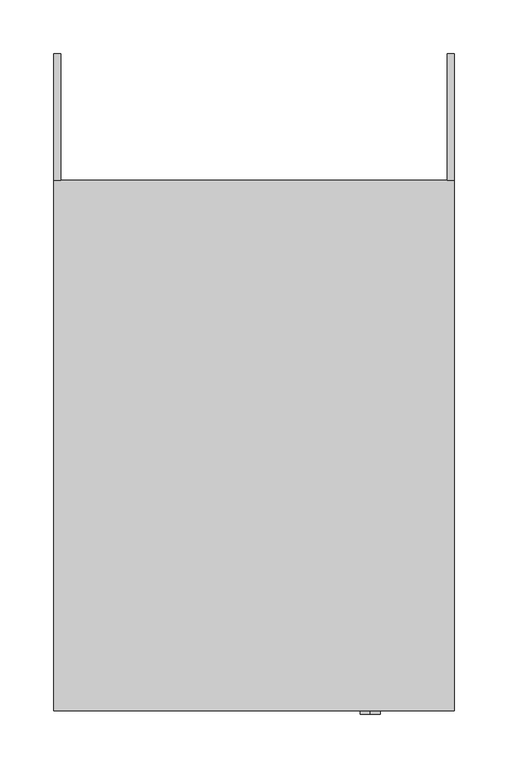
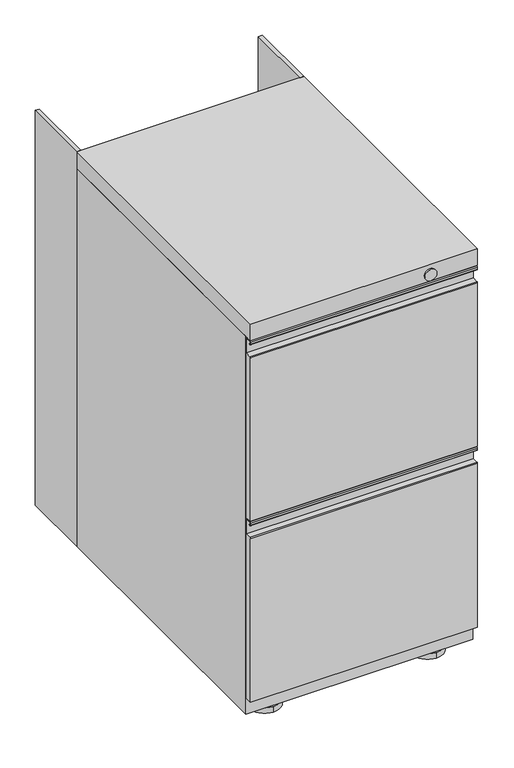
"""IFC4 building model written with IfcOpenShell, lengths in millimetres: furniture geometry."""

from ifc_helpers import new_model, si_unit, point, frame, frame_2d, origin, place, context, project, spatial, polyline, circle_curve, trimmed, segment, composite_curve, outline, extrude, source, transform, mapped, element, save
from ifc_brep_helpers import plane_surface, cylinder_surface, advanced_brep


def furniture_590a8ba9(model_context):
    return source(origin(), model_context, "Body", "SolidModel", [
        advanced_brep(
        [(133.35, 217.4874864, 22.2249992), (133.35, 192.0874924, 22.2249992), (133.35, 204.7874894, 22.2249992), (133.35, 217.4874864, 9.525), (133.35, 192.0874924, 9.525), (133.35, 230.1874879, 9.525), (133.35, 179.3874909, 9.525), (133.35, 230.1874879, 0.0), (133.35, 179.3874909, 0.0), (133.35, 204.7874894, 0.0)],
        [
            (0, 1, circle_curve(frame((133.35, 204.7874894, 22.2249992), z_axis=(0.0, 0.0, 1.0), x_axis=(0.0, -1.0, 0.0)), 12.699997)),
            (1, 2),
            (2, 0),
            (1, 0, circle_curve(frame((133.35, 204.7874894, 22.2249992), z_axis=(0.0, 0.0, 1.0), x_axis=(0.0, -1.0, 0.0)), 12.699997)),
            (3, 4, circle_curve(frame((133.35, 204.7874894, 9.525), z_axis=(0.0, 0.0, 1.0), x_axis=(0.0, -1.0, 0.0)), 12.699997)),
            (4, 1),
            (0, 3),
            (4, 3, circle_curve(frame((133.35, 204.7874894, 9.525), z_axis=(0.0, 0.0, 1.0), x_axis=(0.0, -1.0, 0.0)), 12.699997)),
            (5, 6, circle_curve(frame((133.35, 204.7874894, 9.525), z_axis=(0.0, 0.0, 1.0), x_axis=(0.0, -1.0, 0.0)), 25.3999985)),
            (6, 4),
            (3, 5),
            (6, 5, circle_curve(frame((133.35, 204.7874894, 9.525), z_axis=(0.0, 0.0, 1.0), x_axis=(0.0, -1.0, 0.0)), 25.3999985)),
            (7, 8, circle_curve(frame((133.35, 204.7874894, 0.0), z_axis=(0.0, 0.0, 1.0), x_axis=(0.0, -1.0, 0.0)), 25.3999985)),
            (8, 6),
            (5, 7),
            (8, 7, circle_curve(frame((133.35, 204.7874894, 0.0), z_axis=(0.0, 0.0, 1.0), x_axis=(0.0, -1.0, 0.0)), 25.3999985)),
            (9, 8),
            (7, 9),
        ],
        [
            plane_surface(frame((133.35, 204.7874894, 22.2249992), z_axis=(0.0, 0.0, 1.0), x_axis=(0.0, -1.0, 0.0))),
            cylinder_surface(frame((133.35, 204.7874894, 0.0), z_axis=(0.0, 0.0, -1.0), x_axis=(0.0, -1.0, 0.0)), 12.699997),
            plane_surface(frame((133.35, 204.7874894, 9.525), z_axis=(0.0, 0.0, 1.0), x_axis=(0.0, -1.0, 0.0))),
            cylinder_surface(frame((133.35, 204.7874894, 0.0), z_axis=(0.0, 0.0, -1.0), x_axis=(0.0, -1.0, 0.0)), 25.3999985),
            plane_surface(frame((133.35, 204.7874894, 0.0), z_axis=(0.0, 0.0, -1.0), x_axis=(0.0, -1.0, 0.0))),
        ],
        [
            (0, [[1, 2, 3]]),
            (0, [[4, -3, -2]]),
            (1, [[5, 6, -1, 7]]),
            (1, [[8, -7, -4, -6]]),
            (2, [[9, 10, -5, 11]]),
            (2, [[12, -11, -8, -10]]),
            (3, [[13, 14, -9, 15]]),
            (3, [[16, -15, -12, -14]]),
            (4, [[17, -13, 18]]),
            (4, [[-18, -16, -17]]),
        ],
    ),
        advanced_brep(
        [(133.35, -182.5625136, 22.2249992), (133.35, -207.9625076, 22.2249992), (133.35, -195.2625106, 22.2249992), (133.35, -182.5625136, 9.525), (133.35, -207.9625076, 9.525), (133.35, -169.8625121, 9.525), (133.35, -220.6625091, 9.525), (133.35, -169.8625121, 0.0), (133.35, -220.6625091, 0.0), (133.35, -195.2625106, 0.0)],
        [
            (0, 1, circle_curve(frame((133.35, -195.2625106, 22.2249992), z_axis=(0.0, 0.0, 1.0), x_axis=(0.0, -1.0, 0.0)), 12.699997)),
            (1, 2),
            (2, 0),
            (1, 0, circle_curve(frame((133.35, -195.2625106, 22.2249992), z_axis=(0.0, 0.0, 1.0), x_axis=(0.0, -1.0, 0.0)), 12.699997)),
            (3, 4, circle_curve(frame((133.35, -195.2625106, 9.525), z_axis=(0.0, 0.0, 1.0), x_axis=(0.0, -1.0, 0.0)), 12.699997)),
            (4, 1),
            (0, 3),
            (4, 3, circle_curve(frame((133.35, -195.2625106, 9.525), z_axis=(0.0, 0.0, 1.0), x_axis=(0.0, -1.0, 0.0)), 12.699997)),
            (5, 6, circle_curve(frame((133.35, -195.2625106, 9.525), z_axis=(0.0, 0.0, 1.0), x_axis=(0.0, -1.0, 0.0)), 25.3999985)),
            (6, 4),
            (3, 5),
            (6, 5, circle_curve(frame((133.35, -195.2625106, 9.525), z_axis=(0.0, 0.0, 1.0), x_axis=(0.0, -1.0, 0.0)), 25.3999985)),
            (7, 8, circle_curve(frame((133.35, -195.2625106, 0.0), z_axis=(0.0, 0.0, 1.0), x_axis=(0.0, -1.0, 0.0)), 25.3999985)),
            (8, 6),
            (5, 7),
            (8, 7, circle_curve(frame((133.35, -195.2625106, 0.0), z_axis=(0.0, 0.0, 1.0), x_axis=(0.0, -1.0, 0.0)), 25.3999985)),
            (9, 8),
            (7, 9),
        ],
        [
            plane_surface(frame((133.35, -195.2625106, 22.2249992), z_axis=(0.0, 0.0, 1.0), x_axis=(0.0, -1.0, 0.0))),
            cylinder_surface(frame((133.35, -195.2625106, 0.0), z_axis=(0.0, 0.0, -1.0), x_axis=(0.0, -1.0, 0.0)), 12.699997),
            plane_surface(frame((133.35, -195.2625106, 9.525), z_axis=(0.0, 0.0, 1.0), x_axis=(0.0, -1.0, 0.0))),
            cylinder_surface(frame((133.35, -195.2625106, 0.0), z_axis=(0.0, 0.0, -1.0), x_axis=(0.0, -1.0, 0.0)), 25.3999985),
            plane_surface(frame((133.35, -195.2625106, 0.0), z_axis=(0.0, 0.0, -1.0), x_axis=(0.0, -1.0, 0.0))),
        ],
        [
            (0, [[1, 2, 3]]),
            (0, [[4, -3, -2]]),
            (1, [[5, 6, -1, 7]]),
            (1, [[8, -7, -4, -6]]),
            (2, [[9, 10, -5, 11]]),
            (2, [[12, -11, -8, -10]]),
            (3, [[13, 14, -9, 15]]),
            (3, [[16, -15, -12, -14]]),
            (4, [[17, -13, 18]]),
            (4, [[-18, -16, -17]]),
        ],
    ),
        advanced_brep(
        [(-133.35, -182.5625136, 22.2249992), (-133.35, -207.9625076, 22.2249992), (-133.35, -195.2625106, 22.2249992), (-133.35, -182.5625136, 9.525), (-133.35, -207.9625076, 9.525), (-133.35, -169.8625121, 9.525), (-133.35, -220.6625091, 9.525), (-133.35, -169.8625121, 0.0), (-133.35, -220.6625091, 0.0), (-133.35, -195.2625106, 0.0)],
        [
            (0, 1, circle_curve(frame((-133.35, -195.2625106, 22.2249992), z_axis=(0.0, 0.0, 1.0), x_axis=(0.0, -1.0, 0.0)), 12.699997)),
            (1, 2),
            (2, 0),
            (1, 0, circle_curve(frame((-133.35, -195.2625106, 22.2249992), z_axis=(0.0, 0.0, 1.0), x_axis=(0.0, -1.0, 0.0)), 12.699997)),
            (3, 4, circle_curve(frame((-133.35, -195.2625106, 9.525), z_axis=(0.0, 0.0, 1.0), x_axis=(0.0, -1.0, 0.0)), 12.699997)),
            (4, 1),
            (0, 3),
            (4, 3, circle_curve(frame((-133.35, -195.2625106, 9.525), z_axis=(0.0, 0.0, 1.0), x_axis=(0.0, -1.0, 0.0)), 12.699997)),
            (5, 6, circle_curve(frame((-133.35, -195.2625106, 9.525), z_axis=(0.0, 0.0, 1.0), x_axis=(0.0, -1.0, 0.0)), 25.3999985)),
            (6, 4),
            (3, 5),
            (6, 5, circle_curve(frame((-133.35, -195.2625106, 9.525), z_axis=(0.0, 0.0, 1.0), x_axis=(0.0, -1.0, 0.0)), 25.3999985)),
            (7, 8, circle_curve(frame((-133.35, -195.2625106, 0.0), z_axis=(0.0, 0.0, 1.0), x_axis=(0.0, -1.0, 0.0)), 25.3999985)),
            (8, 6),
            (5, 7),
            (8, 7, circle_curve(frame((-133.35, -195.2625106, 0.0), z_axis=(0.0, 0.0, 1.0), x_axis=(0.0, -1.0, 0.0)), 25.3999985)),
            (9, 8),
            (7, 9),
        ],
        [
            plane_surface(frame((-133.35, -195.2625106, 22.2249992), z_axis=(0.0, 0.0, 1.0), x_axis=(0.0, -1.0, 0.0))),
            cylinder_surface(frame((-133.35, -195.2625106, 0.0), z_axis=(0.0, 0.0, -1.0), x_axis=(0.0, -1.0, 0.0)), 12.699997),
            plane_surface(frame((-133.35, -195.2625106, 9.525), z_axis=(0.0, 0.0, 1.0), x_axis=(0.0, -1.0, 0.0))),
            cylinder_surface(frame((-133.35, -195.2625106, 0.0), z_axis=(0.0, 0.0, -1.0), x_axis=(0.0, -1.0, 0.0)), 25.3999985),
            plane_surface(frame((-133.35, -195.2625106, 0.0), z_axis=(0.0, 0.0, -1.0), x_axis=(0.0, -1.0, 0.0))),
        ],
        [
            (0, [[1, 2, 3]]),
            (0, [[4, -3, -2]]),
            (1, [[5, 6, -1, 7]]),
            (1, [[8, -7, -4, -6]]),
            (2, [[9, 10, -5, 11]]),
            (2, [[12, -11, -8, -10]]),
            (3, [[13, 14, -9, 15]]),
            (3, [[16, -15, -12, -14]]),
            (4, [[17, -13, 18]]),
            (4, [[-18, -16, -17]]),
        ],
    ),
        advanced_brep(
        [(-133.35, 217.4874864, 22.2249992), (-133.35, 192.0874924, 22.2249992), (-133.35, 204.7874894, 22.2249992), (-133.35, 217.4874864, 9.525), (-133.35, 192.0874924, 9.525), (-133.35, 230.1874879, 9.525), (-133.35, 179.3874909, 9.525), (-133.35, 230.1874879, 0.0), (-133.35, 179.3874909, 0.0), (-133.35, 204.7874894, 0.0)],
        [
            (0, 1, circle_curve(frame((-133.35, 204.7874894, 22.2249992), z_axis=(0.0, 0.0, 1.0), x_axis=(0.0, -1.0, 0.0)), 12.699997)),
            (1, 2),
            (2, 0),
            (1, 0, circle_curve(frame((-133.35, 204.7874894, 22.2249992), z_axis=(0.0, 0.0, 1.0), x_axis=(0.0, -1.0, 0.0)), 12.699997)),
            (3, 4, circle_curve(frame((-133.35, 204.7874894, 9.525), z_axis=(0.0, 0.0, 1.0), x_axis=(0.0, -1.0, 0.0)), 12.699997)),
            (4, 1),
            (0, 3),
            (4, 3, circle_curve(frame((-133.35, 204.7874894, 9.525), z_axis=(0.0, 0.0, 1.0), x_axis=(0.0, -1.0, 0.0)), 12.699997)),
            (5, 6, circle_curve(frame((-133.35, 204.7874894, 9.525), z_axis=(0.0, 0.0, 1.0), x_axis=(0.0, -1.0, 0.0)), 25.3999985)),
            (6, 4),
            (3, 5),
            (6, 5, circle_curve(frame((-133.35, 204.7874894, 9.525), z_axis=(0.0, 0.0, 1.0), x_axis=(0.0, -1.0, 0.0)), 25.3999985)),
            (7, 8, circle_curve(frame((-133.35, 204.7874894, 0.0), z_axis=(0.0, 0.0, 1.0), x_axis=(0.0, -1.0, 0.0)), 25.3999985)),
            (8, 6),
            (5, 7),
            (8, 7, circle_curve(frame((-133.35, 204.7874894, 0.0), z_axis=(0.0, 0.0, 1.0), x_axis=(0.0, -1.0, 0.0)), 25.3999985)),
            (9, 8),
            (7, 9),
        ],
        [
            plane_surface(frame((-133.35, 204.7874894, 22.2249992), z_axis=(0.0, 0.0, 1.0), x_axis=(0.0, -1.0, 0.0))),
            cylinder_surface(frame((-133.35, 204.7874894, 0.0), z_axis=(0.0, 0.0, -1.0), x_axis=(0.0, -1.0, 0.0)), 12.699997),
            plane_surface(frame((-133.35, 204.7874894, 9.525), z_axis=(0.0, 0.0, 1.0), x_axis=(0.0, -1.0, 0.0))),
            cylinder_surface(frame((-133.35, 204.7874894, 0.0), z_axis=(0.0, 0.0, -1.0), x_axis=(0.0, -1.0, 0.0)), 25.3999985),
            plane_surface(frame((-133.35, 204.7874894, 0.0), z_axis=(0.0, 0.0, -1.0), x_axis=(0.0, -1.0, 0.0))),
        ],
        [
            (0, [[1, 2, 3]]),
            (0, [[4, -3, -2]]),
            (1, [[5, 6, -1, 7]]),
            (1, [[8, -7, -4, -6]]),
            (2, [[9, 10, -5, 11]]),
            (2, [[12, -11, -8, -10]]),
            (3, [[13, 14, -9, 15]]),
            (3, [[16, -15, -12, -14]]),
            (4, [[17, -13, 18]]),
            (4, [[-18, -16, -17]]),
        ],
    ),
        extrude(outline(polyline([(-179.3875, 363.5375), (-179.3875, 246.0625), (-185.7375, 246.0625), (-185.7375, 363.5375), (-179.3875, 363.5375)])), frame((0.0, 0.0, 22.225), z_axis=(0.0, 0.0, 1.0), x_axis=(1.0, 0.0, 0.0)), (0.0, 0.0, 1.0), 682.625),
        extrude(outline(polyline([(179.3875, 246.0625), (179.3875, 363.5375), (185.7375, 363.5375), (185.7375, 246.0625), (179.3875, 246.0625)])), frame((0.0, 0.0, 22.225), z_axis=(0.0, 0.0, 1.0), x_axis=(1.0, 0.0, 0.0)), (0.0, 0.0, 1.0), 682.625),
        advanced_brep(
        [(185.7375, -233.3633734, 673.1359482), (185.7375, -234.9149365, 674.6875114), (185.7375, -244.2959206, 674.6875114), (185.7375, -245.8467713, 673.1366607), (185.7375, -245.8467713, 669.5309189), (185.7375, -243.4676129, 669.6664968), (185.7375, -245.0852623, 669.5744021), (185.7375, -245.0854655, 673.1376674), (185.7375, -244.2980863, 673.9251193), (185.7375, -234.912758, 673.9251193), (185.7375, -234.1245087, 673.1349058), (185.7375, -234.1245087, 647.8071774), (185.7375, -244.8905918, 647.8071774), (185.7375, -246.0625, 646.6802476), (185.7375, -246.0625, 363.5374992), (185.7375, -233.3624758, 363.5374992), (-185.7375, -233.3624758, 673.1361542), (-185.7375, -233.3624758, 363.5374992), (-185.7375, -246.0625, 363.5374992), (-185.7375, -246.0625, 646.6802476), (-185.7375, -244.8905918, 647.8071774), (-185.7375, -234.1245087, 647.8071774), (-185.7375, -234.1245087, 673.1349058), (-185.7375, -234.912758, 673.9251193), (-185.7375, -244.2980863, 673.9251193), (-185.7375, -245.0854655, 673.1376674), (-185.7375, -245.0852623, 669.5744021), (-185.7375, -243.4676129, 669.6664968), (-185.7375, -245.8467713, 669.5309189), (-185.7375, -245.8467713, 673.1366607), (-185.7375, -244.2959206, 674.6875114), (-185.7375, -234.9149365, 674.6875114)],
        [
            (0, 1, circle_curve(frame((185.7375, -234.9149365, 673.1359482), z_axis=(1.0, 0.0, 0.0), x_axis=(0.0, 1.0, 0.0)), 1.5515631)),
            (1, 2),
            (2, 3, circle_curve(frame((185.7375, -244.2959206, 673.1366607), z_axis=(1.0, 0.0, 0.0), x_axis=(0.0, 1.0, 0.0)), 1.5508507)),
            (3, 4),
            (4, 5, circle_curve(frame((185.7375, -244.6533291, 669.5309189), z_axis=(1.0, 0.0, 0.0), x_axis=(0.0, 1.0, 0.0)), 1.1934422)),
            (5, 6),
            (6, 7),
            (7, 8),
            (8, 9),
            (9, 10),
            (10, 11),
            (11, 12),
            (12, 13, circle_curve(frame((185.7375, -244.8905918, 646.6343716), z_axis=(1.0, 0.0, 0.0), x_axis=(0.0, 1.0, 0.0)), 1.1728058)),
            (13, 14),
            (14, 15),
            (15, 0),
            (16, 17),
            (17, 18),
            (18, 19),
            (19, 20, circle_curve(frame((-185.7375, -244.8905918, 646.6343716), z_axis=(-1.0, 0.0, 0.0), x_axis=(0.0, 1.0, 0.0)), 1.1728058)),
            (20, 21),
            (21, 22),
            (22, 23),
            (23, 24),
            (24, 25),
            (25, 26),
            (26, 27),
            (27, 28, circle_curve(frame((-185.7375, -244.6533291, 669.5309189), z_axis=(-1.0, 0.0, 0.0), x_axis=(0.0, 1.0, 0.0)), 1.1934422)),
            (28, 29),
            (29, 30, circle_curve(frame((-185.7375, -244.2959206, 673.1366607), z_axis=(-1.0, 0.0, 0.0), x_axis=(0.0, 1.0, 0.0)), 1.5508507)),
            (30, 31),
            (31, 16, circle_curve(frame((-185.7375, -234.9149365, 673.1359482), z_axis=(-1.0, 0.0, 0.0), x_axis=(0.0, 1.0, 0.0)), 1.5515631)),
            (0, 16),
            (31, 1),
            (30, 2),
            (29, 3),
            (28, 4),
            (27, 5),
            (26, 6),
            (25, 7),
            (24, 8),
            (23, 9),
            (22, 10),
            (21, 11),
            (20, 12),
            (19, 13),
            (18, 14),
            (17, 15),
        ],
        [
            plane_surface(frame((185.7375, -233.3633734, 673.1359482), z_axis=(1.0, 0.0, 0.0), x_axis=(0.0, 0.0, 1.0))),
            plane_surface(frame((-185.7375, -233.3633734, 673.1359482), z_axis=(-1.0, 0.0, 0.0), x_axis=(0.0, 0.0, -1.0))),
            cylinder_surface(frame((-185.7375, -234.9149365, 673.1359482), z_axis=(1.0, 0.0, 0.0), x_axis=(0.0, 1.0, 0.0)), 1.5515631),
            plane_surface(frame((185.7375, -234.9149365, 674.6875114), z_axis=(0.0, 0.0, 1.0), x_axis=(-1.0, 0.0, 0.0))),
            cylinder_surface(frame((-185.7375, -244.2959206, 673.1366607), z_axis=(1.0, 0.0, 0.0), x_axis=(0.0, 1.0, 0.0)), 1.5508507),
            plane_surface(frame((185.7375, -245.8467713, 673.1366607), z_axis=(0.0, -1.0, 0.0), x_axis=(-1.0, 0.0, 0.0))),
            cylinder_surface(frame((-185.7375, -244.6533291, 669.5309189), z_axis=(1.0, 0.0, 0.0), x_axis=(0.0, 1.0, 0.0)), 1.1934422),
            plane_surface(frame((185.7375, -243.4676129, 669.6664968), z_axis=(0.0, -0.05683911841533739, 0.998383350531131), x_axis=(-1.0, 0.0, 0.0))),
            plane_surface(frame((185.7375, -245.0852623, 669.5744021), z_axis=(0.0, 0.9999999983729901, 5.704401746832448e-05), x_axis=(-1.0, 0.0, 0.0))),
            plane_surface(frame((185.7375, -245.0854655, 673.1376674), z_axis=(0.0, 0.7071394096054413, -0.707074151261993), x_axis=(-1.0, 0.0, 0.0))),
            plane_surface(frame((185.7375, -244.2980863, 673.9251193), z_axis=(0.0, 0.0, -1.0), x_axis=(-1.0, 0.0, 0.0))),
            plane_surface(frame((185.7375, -234.912758, 673.9251193), z_axis=(0.0, -0.707986164937389, -0.7062263024394152), x_axis=(-1.0, 0.0, 0.0))),
            plane_surface(frame((185.7375, -234.1245087, 673.1349058), z_axis=(0.0, -1.0, 0.0), x_axis=(-1.0, 0.0, 0.0))),
            plane_surface(frame((185.7375, -234.1245087, 647.8071774), z_axis=(0.0, 0.0, 1.0), x_axis=(-1.0, 0.0, 0.0))),
            cylinder_surface(frame((-185.7375, -244.8905918, 646.6343716), z_axis=(1.0, 0.0, 0.0), x_axis=(0.0, 1.0, 0.0)), 1.1728058),
            plane_surface(frame((185.7375, -246.0625, 646.6802476), z_axis=(0.0, -1.0, 0.0), x_axis=(-1.0, 0.0, 0.0))),
            plane_surface(frame((185.7375, -246.0625, 363.5374992), z_axis=(0.0, 0.0, -1.0), x_axis=(-1.0, 0.0, 0.0))),
            plane_surface(frame((185.7375, -233.3624758, 363.5374992), z_axis=(0.0, 1.0, 0.0), x_axis=(-1.0, 0.0, 0.0))),
        ],
        [
            (0, [[1, 2, 3, 4, 5, 6, 7, 8, 9, 10, 11, 12, 13, 14, 15, 16]]),
            (1, [[17, 18, 19, 20, 21, 22, 23, 24, 25, 26, 27, 28, 29, 30, 31, 32]]),
            (2, [[-1, 33, -32, 34]]),
            (3, [[-2, -34, -31, 35]]),
            (4, [[-3, -35, -30, 36]]),
            (5, [[-4, -36, -29, 37]]),
            (6, [[-5, -37, -28, 38]]),
            (7, [[-6, -38, -27, 39]]),
            (8, [[-7, -39, -26, 40]]),
            (9, [[-8, -40, -25, 41]]),
            (10, [[-9, -41, -24, 42]]),
            (11, [[-10, -42, -23, 43]]),
            (12, [[-11, -43, -22, 44]]),
            (13, [[-12, -44, -21, 45]]),
            (14, [[-13, -45, -20, 46]]),
            (15, [[-14, -46, -19, 47]]),
            (16, [[-15, -47, -18, 48]]),
            (17, [[-16, -48, -17, -33]]),
        ],
    ),
        advanced_brep(
        [(185.7375, -233.3633734, 360.398449), (185.7375, -234.9149365, 361.9500121), (185.7375, -244.2959206, 361.9500121), (185.7375, -245.8467713, 360.3991614), (185.7375, -245.8467713, 356.7934196), (185.7375, -243.4676129, 356.9289975), (185.7375, -245.0852623, 356.8369029), (185.7375, -245.0854655, 360.4001681), (185.7375, -244.2980863, 361.1876201), (185.7375, -234.912758, 361.1876201), (185.7375, -234.1245087, 360.3974066), (185.7375, -234.1245087, 335.0696782), (185.7375, -244.8905918, 335.0696782), (185.7375, -246.0625, 333.9427484), (185.7375, -246.0625, 50.8), (185.7375, -233.3624758, 50.8), (-185.7375, -233.3624758, 360.398655), (-185.7375, -233.3624758, 50.8), (-185.7375, -246.0625, 50.8), (-185.7375, -246.0625, 333.9427484), (-185.7375, -244.8905918, 335.0696782), (-185.7375, -234.1245087, 335.0696782), (-185.7375, -234.1245087, 360.3974066), (-185.7375, -234.912758, 361.1876201), (-185.7375, -244.2980863, 361.1876201), (-185.7375, -245.0854655, 360.4001681), (-185.7375, -245.0852623, 356.8369029), (-185.7375, -243.4676129, 356.9289975), (-185.7375, -245.8467713, 356.7934196), (-185.7375, -245.8467713, 360.3991614), (-185.7375, -244.2959206, 361.9500121), (-185.7375, -234.9149365, 361.9500121)],
        [
            (0, 1, circle_curve(frame((185.7375, -234.9149365, 360.398449), z_axis=(1.0, 0.0, 0.0), x_axis=(0.0, 1.0, 0.0)), 1.5515631)),
            (1, 2),
            (2, 3, circle_curve(frame((185.7375, -244.2959206, 360.3991614), z_axis=(1.0, 0.0, 0.0), x_axis=(0.0, 1.0, 0.0)), 1.5508507)),
            (3, 4),
            (4, 5, circle_curve(frame((185.7375, -244.6533291, 356.7934196), z_axis=(1.0, 0.0, 0.0), x_axis=(0.0, 1.0, 0.0)), 1.1934422)),
            (5, 6),
            (6, 7),
            (7, 8),
            (8, 9),
            (9, 10),
            (10, 11),
            (11, 12),
            (12, 13, circle_curve(frame((185.7375, -244.8905918, 333.8968723), z_axis=(1.0, 0.0, 0.0), x_axis=(0.0, 1.0, 0.0)), 1.1728058)),
            (13, 14),
            (14, 15),
            (15, 0),
            (16, 17),
            (17, 18),
            (18, 19),
            (19, 20, circle_curve(frame((-185.7375, -244.8905918, 333.8968723), z_axis=(-1.0, 0.0, 0.0), x_axis=(0.0, 1.0, 0.0)), 1.1728058)),
            (20, 21),
            (21, 22),
            (22, 23),
            (23, 24),
            (24, 25),
            (25, 26),
            (26, 27),
            (27, 28, circle_curve(frame((-185.7375, -244.6533291, 356.7934196), z_axis=(-1.0, 0.0, 0.0), x_axis=(0.0, 1.0, 0.0)), 1.1934422)),
            (28, 29),
            (29, 30, circle_curve(frame((-185.7375, -244.2959206, 360.3991614), z_axis=(-1.0, 0.0, 0.0), x_axis=(0.0, 1.0, 0.0)), 1.5508507)),
            (30, 31),
            (31, 16, circle_curve(frame((-185.7375, -234.9149365, 360.398449), z_axis=(-1.0, 0.0, 0.0), x_axis=(0.0, 1.0, 0.0)), 1.5515631)),
            (0, 16),
            (31, 1),
            (30, 2),
            (29, 3),
            (28, 4),
            (27, 5),
            (26, 6),
            (25, 7),
            (24, 8),
            (23, 9),
            (22, 10),
            (21, 11),
            (20, 12),
            (19, 13),
            (18, 14),
            (17, 15),
        ],
        [
            plane_surface(frame((185.7375, -233.3633734, 360.398449), z_axis=(1.0, 0.0, 0.0), x_axis=(0.0, 0.0, 1.0))),
            plane_surface(frame((-185.7375, -233.3633734, 360.398449), z_axis=(-1.0, 0.0, 0.0), x_axis=(0.0, 0.0, -1.0))),
            cylinder_surface(frame((-185.7375, -234.9149365, 360.398449), z_axis=(1.0, 0.0, 0.0), x_axis=(0.0, 1.0, 0.0)), 1.5515631),
            plane_surface(frame((185.7375, -234.9149365, 361.9500121), z_axis=(0.0, 0.0, 1.0), x_axis=(-1.0, 0.0, 0.0))),
            cylinder_surface(frame((-185.7375, -244.2959206, 360.3991614), z_axis=(1.0, 0.0, 0.0), x_axis=(0.0, 1.0, 0.0)), 1.5508507),
            plane_surface(frame((185.7375, -245.8467713, 360.3991614), z_axis=(0.0, -1.0, 0.0), x_axis=(-1.0, 0.0, 0.0))),
            cylinder_surface(frame((-185.7375, -244.6533291, 356.7934196), z_axis=(1.0, 0.0, 0.0), x_axis=(0.0, 1.0, 0.0)), 1.1934422),
            plane_surface(frame((185.7375, -243.4676129, 356.9289975), z_axis=(0.0, -0.056839118415293384, 0.9983833505311336), x_axis=(-1.0, 0.0, 0.0))),
            plane_surface(frame((185.7375, -245.0852623, 356.8369029), z_axis=(0.0, 0.99999999837299, 5.704401746828546e-05), x_axis=(-1.0, 0.0, 0.0))),
            plane_surface(frame((185.7375, -245.0854655, 360.4001681), z_axis=(0.0, 0.7071394096054413, -0.707074151261993), x_axis=(-1.0, 0.0, 0.0))),
            plane_surface(frame((185.7375, -244.2980863, 361.1876201), z_axis=(0.0, 0.0, -1.0), x_axis=(-1.0, 0.0, 0.0))),
            plane_surface(frame((185.7375, -234.912758, 361.1876201), z_axis=(0.0, -0.707986164937389, -0.7062263024394152), x_axis=(-1.0, 0.0, 0.0))),
            plane_surface(frame((185.7375, -234.1245087, 360.3974066), z_axis=(0.0, -1.0, 0.0), x_axis=(-1.0, 0.0, 0.0))),
            plane_surface(frame((185.7375, -234.1245087, 335.0696782), z_axis=(0.0, 0.0, 1.0), x_axis=(-1.0, 0.0, 0.0))),
            cylinder_surface(frame((-185.7375, -244.8905918, 333.8968723), z_axis=(1.0, 0.0, 0.0), x_axis=(0.0, 1.0, 0.0)), 1.1728058),
            plane_surface(frame((185.7375, -246.0625, 333.9427484), z_axis=(0.0, -1.0, 0.0), x_axis=(-1.0, 0.0, 0.0))),
            plane_surface(frame((185.7375, -246.0625, 50.8), z_axis=(0.0, 0.0, -1.0), x_axis=(-1.0, 0.0, 0.0))),
            plane_surface(frame((185.7375, -233.3624758, 50.8), z_axis=(0.0, 1.0, 0.0), x_axis=(-1.0, 0.0, 0.0))),
        ],
        [
            (0, [[1, 2, 3, 4, 5, 6, 7, 8, 9, 10, 11, 12, 13, 14, 15, 16]]),
            (1, [[17, 18, 19, 20, 21, 22, 23, 24, 25, 26, 27, 28, 29, 30, 31, 32]]),
            (2, [[-1, 33, -32, 34]]),
            (3, [[-2, -34, -31, 35]]),
            (4, [[-3, -35, -30, 36]]),
            (5, [[-4, -36, -29, 37]]),
            (6, [[-5, -37, -28, 38]]),
            (7, [[-6, -38, -27, 39]]),
            (8, [[-7, -39, -26, 40]]),
            (9, [[-8, -40, -25, 41]]),
            (10, [[-9, -41, -24, 42]]),
            (11, [[-10, -42, -23, 43]]),
            (12, [[-11, -43, -22, 44]]),
            (13, [[-12, -44, -21, 45]]),
            (14, [[-13, -45, -20, 46]]),
            (15, [[-14, -46, -19, 47]]),
            (16, [[-15, -47, -18, 48]]),
            (17, [[-16, -48, -17, -33]]),
        ],
    ),
        extrude(outline(polyline([(185.7375, 246.0625), (185.7375, -246.0625), (-185.7375, -246.0625), (-185.7375, 246.0625), (185.7375, 246.0625)])), frame((0.0, 0.0, 676.275), z_axis=(0.0, 0.0, 1.0), x_axis=(1.0, 0.0, 0.0)), (0.0, 0.0, 1.0), 28.575),
        extrude(outline(polyline([(185.7375, 246.0625), (185.7375, -233.3624758), (-185.7375, -233.3624758), (-185.7375, 246.0625), (185.7375, 246.0625)])), frame((0.0, 0.0, 22.225), z_axis=(0.0, 0.0, 1.0), x_axis=(1.0, 0.0, 0.0)), (0.0, 0.0, 1.0), 654.05),
        extrude(outline(composite_curve([segment(trimmed(circle_curve(frame_2d((688.9750242, 107.9500242)), 9.525), [point((679.4500242, 107.9500242))], [point((698.5000242, 107.9500242))], False, "CARTESIAN"), True, "CONTINUOUS"), segment(trimmed(circle_curve(frame_2d((688.9750242, 107.9500242)), 9.525), [point((698.5000242, 107.9500242))], [point((679.4500242, 107.9500242))], False, "CARTESIAN"), True, "CONTINUOUS")], self_intersect=False)), frame((0.0, -249.2374879, 0.0), z_axis=(0.0, 1.0, 0.0), x_axis=(0.0, 0.0, 1.0)), (0.0, 0.0, 1.0), 3.1749879),
    ])


if __name__ == "__main__":
    model = new_model("IFC4")
    model_context = context("Model", 3, world=origin())
    ifc_project = project(units=[si_unit("LENGTHUNIT", "METRE", prefix="MILLI")], contexts=[model_context])
    site = spatial("IfcSite", under=ifc_project)
    building = spatial("IfcBuilding", under=site)
    placement = place(None, origin())
    furniture_shape = furniture_590a8ba9(model_context)
    element("IfcFurniture", 1, at=placement, inside=building, context=model_context, shape_type="MappedRepresentation", body=[
        mapped(furniture_shape, transform((0.0, 0.0, 0.0), x_axis=(1.0, 0.0, 0.0), y_axis=(0.0, 1.0, 0.0), z_axis=(0.0, 0.0, 1.0))),
    ])
    save(model, "model.ifc")
